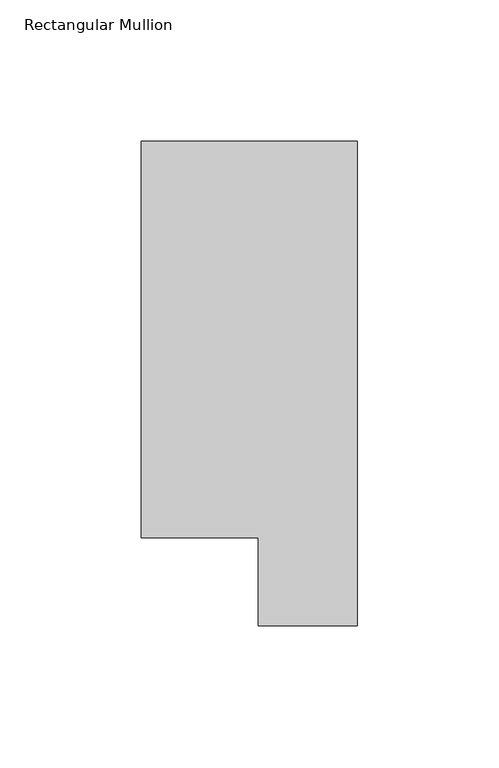
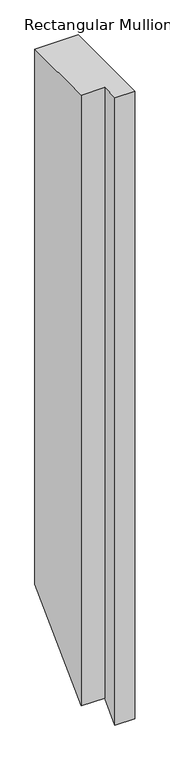
"""IFC4 building model written with IfcOpenShell, lengths in millimetres: member geometry, Rectangular Mullion."""

from ifc_helpers import new_model, si_unit, origin, place, context, project, spatial, faceted_brep, source, transform, mapped, element, save


def rectangular_mullion_48731688(model_context):
    return source(origin(), model_context, "Body", "Brep", [
        faceted_brep([(-76.2, 190.7881317, 0.0), (-76.2, 50.8087306, 0.0), (-34.9123, 50.8087306, 0.0), (-34.9123, 19.5667317, 0.0), (0.0, 19.5667317, 0.0), (0.0, 190.7881317, 0.0), (-76.2, 190.7881317, -990.642839), (-76.2, 50.8087306, -1130.6222401), (-34.9123, 50.8087306, -1130.6222401), (-34.9123, 19.5667317, -1161.864239), (0.0, 19.5667317, -1161.864239), (0.0, 190.7881317, -990.642839)], [[[0, 1, 2, 3, 4, 5]], [[1, 0, 6, 7]], [[2, 1, 7, 8]], [[3, 2, 8, 9]], [[4, 3, 9, 10]], [[5, 4, 10, 11]], [[0, 5, 11, 6]], [[6, 11, 10, 9, 8, 7]]]),
    ])


if __name__ == "__main__":
    model = new_model("IFC4")
    model_context = context("Model", 3, world=origin())
    ifc_project = project(units=[si_unit("LENGTHUNIT", "METRE", prefix="MILLI")], contexts=[model_context])
    site = spatial("IfcSite", under=ifc_project)
    building = spatial("IfcBuilding", under=site)
    placement = place(None, origin())
    rectangular_mullion_shape = rectangular_mullion_48731688(model_context)
    element("IfcMember", 1, ObjectType="Rectangular Mullion", at=placement, inside=building, context=model_context, shape_type="MappedRepresentation", body=[
        mapped(rectangular_mullion_shape, transform((0.0, 0.0, 0.0), x_axis=(1.0, 0.0, 0.0), y_axis=(0.0, 1.0, 0.0), z_axis=(0.0, 0.0, 1.0))),
    ])
    save(model, "model.ifc")
